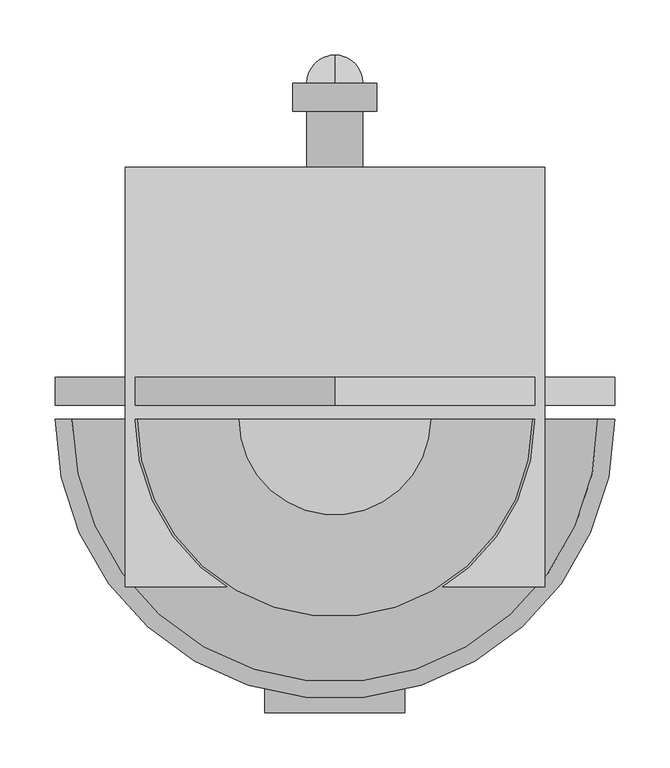
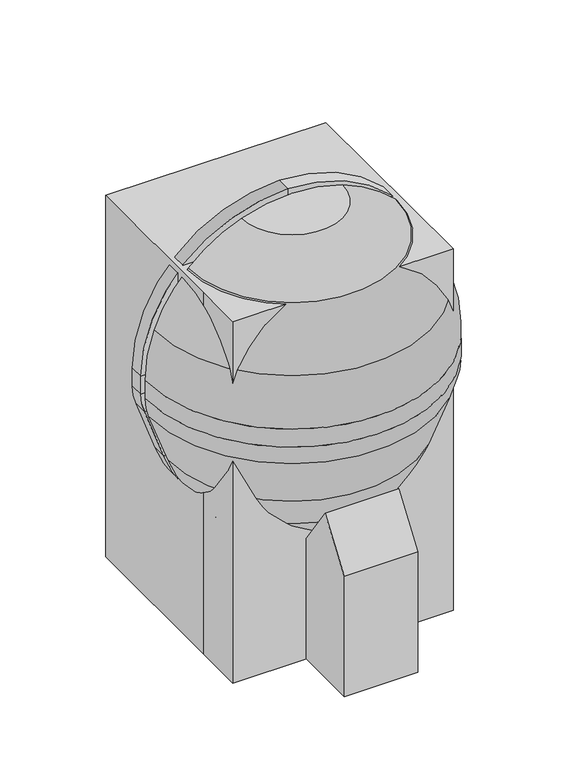
"""IFC4 building model written with IfcOpenShell, lengths in millimetres: proxy geometry."""

from ifc_helpers import new_model, si_unit, point, frame, frame_2d, origin, origin_with_axes, place, context, project, spatial, polyline, circle_curve, ellipse_curve, trimmed, segment, composite_curve, outline, extrude, source, transform, mapped, element, save
from ifc_brep_helpers import plane_surface, cylinder_surface, revolved_surface, advanced_brep


def specialty_equipment_efaa07a2(model_context):
    return source(origin(), model_context, "Body", "SolidModel", [
        advanced_brep(
        [(-86.8731164, -38.1, 721.2819257), (0.0, -38.1, 736.6), (0.0, -38.1, 711.2), (-78.1858048, -38.1, 697.4137331), (-161.6446102, -38.1, 644.2446102), (-214.8137331, -38.1, 560.7858048), (-228.6, -38.1, 482.6), (-228.6, -38.1, 449.7148212), (-224.0045777, -38.1, 423.6528863), (-191.7324129, -38.1, 334.9858422), (-158.0533758, -38.1, 270.2890139), (-120.1697426, -38.1, 216.1855786), (-63.2399099, -38.1, 176.3228806), (0.0, -38.1, 159.3777978), (0.0, -38.1, 133.0817829), (-78.7437471, -38.1, 154.1811063), (-135.6735798, -38.1, 194.0438043), (-180.7778621, -38.1, 258.4593951), (-214.4568992, -38.1, 323.1562234), (-247.8727703, -38.1, 414.9655747), (-254.0, -38.1, 449.7148212), (-254.0, -38.1, 482.6), (-238.6819257, -38.1, 569.4731164), (-179.6051224, -38.1, 662.2051224), (86.8731164, -38.1, 721.2819257), (179.6051224, -38.1, 662.2051224), (238.6819257, -38.1, 569.4731164), (254.0, -38.1, 482.6), (254.0, -38.1, 449.7148212), (247.8727703, -38.1, 414.9655747), (214.4568992, -38.1, 323.1562234), (180.7778621, -38.1, 258.4593951), (135.6735798, -38.1, 194.0438043), (78.7437471, -38.1, 154.1811063), (63.2399099, -38.1, 176.3228806), (120.1697426, -38.1, 216.1855786), (158.0533758, -38.1, 270.2890139), (191.7324129, -38.1, 334.9858422), (224.0045777, -38.1, 423.6528863), (228.6, -38.1, 449.7148212), (228.6, -38.1, 482.6), (214.8137331, -38.1, 560.7858048), (161.6446102, -38.1, 644.2446102), (78.1858048, -38.1, 697.4137331)],
        [
            (0, 1, circle_curve(frame((0.0, -38.1, 482.6), z_axis=(0.0, 1.0, 0.0), x_axis=(-1.0, 0.0, 0.0)), 254.0)),
            (1, 2),
            (2, 3, circle_curve(frame((0.0, -38.1, 482.6), z_axis=(0.0, -1.0, 0.0), x_axis=(-1.0, 0.0, 0.0)), 228.6)),
            (3, 4, circle_curve(frame((0.0, -38.1, 482.6), z_axis=(0.0, -1.0, 0.0), x_axis=(-1.0, 0.0, 0.0)), 228.6)),
            (4, 5, circle_curve(frame((0.0, -38.1, 482.6), z_axis=(0.0, -1.0, 0.0), x_axis=(-1.0, 0.0, 0.0)), 228.6)),
            (5, 6, circle_curve(frame((0.0, -38.1, 482.6), z_axis=(0.0, -1.0, 0.0), x_axis=(-1.0, 0.0, 0.0)), 228.6)),
            (6, 7),
            (7, 8, circle_curve(frame((-152.4, -38.1, 449.7148212), z_axis=(0.0, -1.0, 0.0), x_axis=(-1.0, 0.0, 0.0)), 76.2)),
            (8, 9),
            (9, 10, circle_curve(frame((70.8177054, -38.1, 430.5462703), z_axis=(0.0, -1.0, 0.0), x_axis=(-1.0, 0.0, 0.0)), 279.4)),
            (10, 11),
            (11, 12, circle_curve(frame((-36.9438949, -38.1, 274.4609446), z_axis=(0.0, -1.0, 0.0), x_axis=(-1.0, 0.0, 0.0)), 101.6)),
            (12, 13),
            (13, 14),
            (14, 15),
            (15, 16, circle_curve(frame((-52.4477321, -38.1, 252.3191703), z_axis=(0.0, 1.0, 0.0), x_axis=(-1.0, 0.0, 0.0)), 101.6)),
            (16, 17),
            (17, 18, circle_curve(frame((48.0932191, -38.1, 418.7166514), z_axis=(0.0, 1.0, 0.0), x_axis=(-1.0, 0.0, 0.0)), 279.4)),
            (18, 19),
            (19, 20, circle_curve(frame((-152.4, -38.1, 449.7148212), z_axis=(0.0, 1.0, 0.0), x_axis=(-1.0, 0.0, 0.0)), 101.6)),
            (20, 21),
            (21, 22, circle_curve(frame((0.0, -38.1, 482.6), z_axis=(0.0, 1.0, 0.0), x_axis=(-1.0, 0.0, 0.0)), 254.0)),
            (22, 23, circle_curve(frame((0.0, -38.1, 482.6), z_axis=(0.0, 1.0, 0.0), x_axis=(-1.0, 0.0, 0.0)), 254.0)),
            (23, 0, circle_curve(frame((0.0, -38.1, 482.6), z_axis=(0.0, 1.0, 0.0), x_axis=(-1.0, 0.0, 0.0)), 254.0)),
            (24, 25, circle_curve(frame((0.0, -38.1, 482.6), z_axis=(0.0, 1.0, 0.0), x_axis=(1.0, 0.0, 0.0)), 254.0)),
            (25, 26, circle_curve(frame((0.0, -38.1, 482.6), z_axis=(0.0, 1.0, 0.0), x_axis=(1.0, 0.0, 0.0)), 254.0)),
            (26, 27, circle_curve(frame((0.0, -38.1, 482.6), z_axis=(0.0, 1.0, 0.0), x_axis=(1.0, 0.0, 0.0)), 254.0)),
            (27, 28),
            (28, 29, circle_curve(frame((152.4, -38.1, 449.7148212), z_axis=(0.0, 1.0, 0.0), x_axis=(1.0, 0.0, 0.0)), 101.6)),
            (29, 30),
            (30, 31, circle_curve(frame((-48.0932191, -38.1, 418.7166514), z_axis=(0.0, 1.0, 0.0), x_axis=(1.0, 0.0, 0.0)), 279.4)),
            (31, 32),
            (32, 33, circle_curve(frame((52.4477321, -38.1, 252.3191703), z_axis=(0.0, 1.0, 0.0), x_axis=(1.0, 0.0, 0.0)), 101.6)),
            (33, 14),
            (13, 34),
            (34, 35, circle_curve(frame((36.9438949, -38.1, 274.4609446), z_axis=(0.0, -1.0, 0.0), x_axis=(1.0, 0.0, 0.0)), 101.6)),
            (35, 36),
            (36, 37, circle_curve(frame((-70.8177054, -38.1, 430.5462703), z_axis=(0.0, -1.0, 0.0), x_axis=(1.0, 0.0, 0.0)), 279.4)),
            (37, 38),
            (38, 39, circle_curve(frame((152.4, -38.1, 449.7148212), z_axis=(0.0, -1.0, 0.0), x_axis=(1.0, 0.0, 0.0)), 76.2)),
            (39, 40),
            (40, 41, circle_curve(frame((0.0, -38.1, 482.6), z_axis=(0.0, -1.0, 0.0), x_axis=(1.0, 0.0, 0.0)), 228.6)),
            (41, 42, circle_curve(frame((0.0, -38.1, 482.6), z_axis=(0.0, -1.0, 0.0), x_axis=(1.0, 0.0, 0.0)), 228.6)),
            (42, 43, circle_curve(frame((0.0, -38.1, 482.6), z_axis=(0.0, -1.0, 0.0), x_axis=(1.0, 0.0, 0.0)), 228.6)),
            (43, 2, circle_curve(frame((0.0, -38.1, 482.6), z_axis=(0.0, -1.0, 0.0), x_axis=(1.0, 0.0, 0.0)), 228.6)),
            (1, 24, circle_curve(frame((0.0, -38.1, 482.6), z_axis=(0.0, 1.0, 0.0), x_axis=(1.0, 0.0, 0.0)), 254.0)),
            (0, 24, circle_curve(frame((0.0, -38.1, 721.2819257), z_axis=(0.0, 0.0, 1.0), x_axis=(-1.0, 0.0, 0.0)), 86.8731164)),
            (43, 3, circle_curve(frame((0.0, -38.1, 697.4137331), z_axis=(0.0, 0.0, -1.0), x_axis=(-1.0, 0.0, 0.0)), 78.1858048)),
            (42, 4, circle_curve(frame((0.0, -38.1, 644.2446102), z_axis=(0.0, 0.0, -1.0), x_axis=(-1.0, 0.0, 0.0)), 161.6446102)),
            (41, 5, circle_curve(frame((0.0, -38.1, 560.7858048), z_axis=(0.0, 0.0, -1.0), x_axis=(-1.0, 0.0, 0.0)), 214.8137331)),
            (40, 6, circle_curve(frame((0.0, -38.1, 482.6), z_axis=(0.0, 0.0, -1.0), x_axis=(-1.0, 0.0, 0.0)), 228.6)),
            (39, 7, circle_curve(frame((0.0, -38.1, 449.7148212), z_axis=(0.0, 0.0, -1.0), x_axis=(-1.0, 0.0, 0.0)), 228.6)),
            (38, 8, circle_curve(frame((0.0, -38.1, 423.6528863), z_axis=(0.0, 0.0, -1.0), x_axis=(-1.0, 0.0, 0.0)), 224.0045777)),
            (37, 9, circle_curve(frame((0.0, -38.1, 334.9858422), z_axis=(0.0, 0.0, -1.0), x_axis=(-1.0, 0.0, 0.0)), 191.7324129)),
            (36, 10, circle_curve(frame((0.0, -38.1, 270.2890139), z_axis=(0.0, 0.0, -1.0), x_axis=(-1.0, 0.0, 0.0)), 158.0533758)),
            (35, 11, circle_curve(frame((0.0, -38.1, 216.1855786), z_axis=(0.0, 0.0, -1.0), x_axis=(-1.0, 0.0, 0.0)), 120.1697426)),
            (34, 12, circle_curve(frame((0.0, -38.1, 176.3228806), z_axis=(0.0, 0.0, -1.0), x_axis=(-1.0, 0.0, 0.0)), 63.2399099)),
            (33, 15, circle_curve(frame((0.0, -38.1, 154.1811063), z_axis=(0.0, 0.0, -1.0), x_axis=(-1.0, 0.0, 0.0)), 78.7437471)),
            (32, 16, circle_curve(frame((0.0, -38.1, 194.0438043), z_axis=(0.0, 0.0, -1.0), x_axis=(-1.0, 0.0, 0.0)), 135.6735798)),
            (31, 17, circle_curve(frame((0.0, -38.1, 258.4593951), z_axis=(0.0, 0.0, -1.0), x_axis=(-1.0, 0.0, 0.0)), 180.7778621)),
            (30, 18, circle_curve(frame((0.0, -38.1, 323.1562234), z_axis=(0.0, 0.0, -1.0), x_axis=(-1.0, 0.0, 0.0)), 214.4568992)),
            (29, 19, circle_curve(frame((0.0, -38.1, 414.9655747), z_axis=(0.0, 0.0, -1.0), x_axis=(-1.0, 0.0, 0.0)), 247.8727703)),
            (28, 20, circle_curve(frame((0.0, -38.1, 449.7148212), z_axis=(0.0, 0.0, -1.0), x_axis=(-1.0, 0.0, 0.0)), 254.0)),
            (27, 21, circle_curve(frame((0.0, -38.1, 482.6), z_axis=(0.0, 0.0, -1.0), x_axis=(-1.0, 0.0, 0.0)), 254.0)),
            (26, 22, circle_curve(frame((0.0, -38.1, 569.4731164), z_axis=(0.0, 0.0, -1.0), x_axis=(-1.0, 0.0, 0.0)), 238.6819257)),
            (25, 23, circle_curve(frame((0.0, -38.1, 662.2051224), z_axis=(0.0, 0.0, -1.0), x_axis=(-1.0, 0.0, 0.0)), 179.6051224)),
        ],
        [
            plane_surface(frame((0.0, -38.1, 841.8102448), z_axis=(0.0, 1.0, 0.0), x_axis=(-1.0, 0.0, 0.0))),
            plane_surface(frame((0.0, -38.1, 841.8102448), z_axis=(0.0, 1.0, 0.0), x_axis=(1.0, 0.0, 0.0))),
            revolved_surface(trimmed(ellipse_curve(frame((0.0, -38.1, 482.6), z_axis=(0.0, 1.0, 0.0), x_axis=(-1.0, 0.0, 0.0)), 254.0, 254.0), [point((-86.8731164, -38.1, 721.2819257))], [point((0.0, -38.1, 736.6))], True, "CARTESIAN"), (0.0, -38.1, 841.8102448), (0.0, 0.0, 1.0)),
            revolved_surface(trimmed(ellipse_curve(frame((0.0, -38.1, 482.6), z_axis=(0.0, -1.0, 0.0), x_axis=(-1.0, 0.0, 0.0)), 228.6, 228.6), [point((0.0, -38.1, 711.2))], [point((-78.1858048, -38.1, 697.4137331))], True, "CARTESIAN"), (0.0, -38.1, 841.8102448), (0.0, 0.0, 1.0)),
            revolved_surface(trimmed(ellipse_curve(frame((0.0, -38.1, 482.6), z_axis=(0.0, -1.0, 0.0), x_axis=(-1.0, 0.0, 0.0)), 228.6, 228.6), [point((-78.1858048, -38.1, 697.4137331))], [point((-161.6446102, -38.1, 644.2446102))], True, "CARTESIAN"), (0.0, -38.1, 841.8102448), (0.0, 0.0, 1.0)),
            revolved_surface(trimmed(ellipse_curve(frame((0.0, -38.1, 482.6), z_axis=(0.0, -1.0, 0.0), x_axis=(-1.0, 0.0, 0.0)), 228.6, 228.6), [point((-161.6446102, -38.1, 644.2446102))], [point((-214.8137331, -38.1, 560.7858048))], True, "CARTESIAN"), (0.0, -38.1, 841.8102448), (0.0, 0.0, 1.0)),
            revolved_surface(trimmed(ellipse_curve(frame((0.0, -38.1, 482.6), z_axis=(0.0, -1.0, 0.0), x_axis=(-1.0, 0.0, 0.0)), 228.6, 228.6), [point((-214.8137331, -38.1, 560.7858048))], [point((-228.6, -38.1, 482.6))], True, "CARTESIAN"), (0.0, -38.1, 841.8102448), (0.0, 0.0, 1.0)),
            revolved_surface(polyline([(-228.6, -38.1, 482.6), (-228.6, -38.1, 449.7148212)]), (0.0, -38.1, 841.8102448), (0.0, 0.0, 1.0)),
            revolved_surface(trimmed(ellipse_curve(frame((-152.4, -38.1, 449.7148212), z_axis=(0.0, -1.0, 0.0), x_axis=(-1.0, 0.0, 0.0)), 76.2, 76.2), [point((-228.6, -38.1, 449.7148212))], [point((-224.0045777, -38.1, 423.6528863))], True, "CARTESIAN"), (0.0, -38.1, 841.8102448), (0.0, 0.0, 1.0)),
            revolved_surface(polyline([(-224.0045777, -38.1, 423.6528863), (-191.7324129, -38.1, 334.9858422)]), (0.0, -38.1, 841.8102448), (0.0, 0.0, 1.0)),
            revolved_surface(trimmed(ellipse_curve(frame((70.8177054, -38.1, 430.5462703), z_axis=(0.0, -1.0, 0.0), x_axis=(-1.0, 0.0, 0.0)), 279.4, 279.4), [point((-191.7324129, -38.1, 334.9858422))], [point((-158.0533758, -38.1, 270.2890139))], True, "CARTESIAN"), (0.0, -38.1, 841.8102448), (0.0, 0.0, 1.0)),
            revolved_surface(polyline([(-158.0533758, -38.1, 270.2890139), (-120.1697426, -38.1, 216.1855786)]), (0.0, -38.1, 841.8102448), (0.0, 0.0, 1.0)),
            revolved_surface(trimmed(ellipse_curve(frame((-36.9438949, -38.1, 274.4609446), z_axis=(0.0, -1.0, 0.0), x_axis=(-1.0, 0.0, 0.0)), 101.6, 101.6), [point((-120.1697426, -38.1, 216.1855786))], [point((-63.2399099, -38.1, 176.3228806))], True, "CARTESIAN"), (0.0, -38.1, 841.8102448), (0.0, 0.0, 1.0)),
            revolved_surface(polyline([(-63.2399099, -38.1, 176.3228806), (0.0, -38.1, 159.3777978)]), (0.0, -38.1, 841.8102448), (0.0, 0.0, 1.0)),
            revolved_surface(polyline([(0.0, -38.1, 133.0817829), (-78.7437471, -38.1, 154.1811063)]), (0.0, -38.1, 841.8102448), (0.0, 0.0, 1.0)),
            revolved_surface(trimmed(ellipse_curve(frame((-52.4477321, -38.1, 252.3191703), z_axis=(0.0, 1.0, 0.0), x_axis=(-1.0, 0.0, 0.0)), 101.6, 101.6), [point((-78.7437471, -38.1, 154.1811063))], [point((-135.6735798, -38.1, 194.0438043))], True, "CARTESIAN"), (0.0, -38.1, 841.8102448), (0.0, 0.0, 1.0)),
            revolved_surface(polyline([(-135.6735798, -38.1, 194.0438043), (-180.7778621, -38.1, 258.4593951)]), (0.0, -38.1, 841.8102448), (0.0, 0.0, 1.0)),
            revolved_surface(trimmed(ellipse_curve(frame((48.0932191, -38.1, 418.7166514), z_axis=(0.0, 1.0, 0.0), x_axis=(-1.0, 0.0, 0.0)), 279.4, 279.4), [point((-180.7778621, -38.1, 258.4593951))], [point((-214.4568992, -38.1, 323.1562234))], True, "CARTESIAN"), (0.0, -38.1, 841.8102448), (0.0, 0.0, 1.0)),
            revolved_surface(polyline([(-214.4568992, -38.1, 323.1562234), (-247.8727703, -38.1, 414.9655747)]), (0.0, -38.1, 841.8102448), (0.0, 0.0, 1.0)),
            revolved_surface(trimmed(ellipse_curve(frame((-152.4, -38.1, 449.7148212), z_axis=(0.0, 1.0, 0.0), x_axis=(-1.0, 0.0, 0.0)), 101.6, 101.6), [point((-247.8727703, -38.1, 414.9655747))], [point((-254.0, -38.1, 449.7148212))], True, "CARTESIAN"), (0.0, -38.1, 841.8102448), (0.0, 0.0, 1.0)),
            cylinder_surface(frame((0.0, -38.1, 841.8102448), z_axis=(0.0, 0.0, 1.0), x_axis=(-1.0, 0.0, 0.0)), 254.0),
            revolved_surface(trimmed(ellipse_curve(frame((0.0, -38.1, 482.6), z_axis=(0.0, 1.0, 0.0), x_axis=(-1.0, 0.0, 0.0)), 254.0, 254.0), [point((-254.0, -38.1, 482.6))], [point((-238.6819257, -38.1, 569.4731164))], True, "CARTESIAN"), (0.0, -38.1, 841.8102448), (0.0, 0.0, 1.0)),
            revolved_surface(trimmed(ellipse_curve(frame((0.0, -38.1, 482.6), z_axis=(0.0, 1.0, 0.0), x_axis=(-1.0, 0.0, 0.0)), 254.0, 254.0), [point((-238.6819257, -38.1, 569.4731164))], [point((-179.6051224, -38.1, 662.2051224))], True, "CARTESIAN"), (0.0, -38.1, 841.8102448), (0.0, 0.0, 1.0)),
            revolved_surface(trimmed(ellipse_curve(frame((0.0, -38.1, 482.6), z_axis=(0.0, 1.0, 0.0), x_axis=(-1.0, 0.0, 0.0)), 254.0, 254.0), [point((-179.6051224, -38.1, 662.2051224))], [point((-86.8731164, -38.1, 721.2819257))], True, "CARTESIAN"), (0.0, -38.1, 841.8102448), (0.0, 0.0, 1.0)),
        ],
        [
            (0, [[1, 2, 3, 4, 5, 6, 7, 8, 9, 10, 11, 12, 13, 14, 15, 16, 17, 18, 19, 20, 21, 22, 23, 24]]),
            (1, [[25, 26, 27, 28, 29, 30, 31, 32, 33, 34, -14, 35, 36, 37, 38, 39, 40, 41, 42, 43, 44, 45, -2, 46]]),
            (2, [[-1, 47, -46]]),
            (3, [[48, -3, -45]]),
            (4, [[49, -4, -48, -44]]),
            (5, [[50, -5, -49, -43]]),
            (6, [[51, -6, -50, -42]]),
            (7, [[52, -7, -51, -41]]),
            (8, [[53, -8, -52, -40]]),
            (9, [[54, -9, -53, -39]]),
            (10, [[55, -10, -54, -38]]),
            (11, [[56, -11, -55, -37]]),
            (12, [[57, -12, -56, -36]]),
            (13, [[-13, -57, -35]]),
            (14, [[58, -15, -34]]),
            (15, [[59, -16, -58, -33]]),
            (16, [[60, -17, -59, -32]]),
            (17, [[61, -18, -60, -31]]),
            (18, [[62, -19, -61, -30]]),
            (19, [[63, -20, -62, -29]]),
            (20, [[64, -21, -63, -28]]),
            (21, [[65, -22, -64, -27]]),
            (22, [[66, -23, -65, -26]]),
            (23, [[-47, -24, -66, -25]]),
        ],
    ),
        extrude(outline(polyline([(245.0347495, -62.8509631), (194.0438043, -135.6735798), (169.0933226, -110.7230981), (145.0485961, -44.6607552), (145.0485961, 44.6607552), (169.0933226, 110.7230981), (194.0438043, 135.6735798), (245.0347495, 62.8509631), (245.0347495, -62.8509631)])), frame((0.0, -38.1, 0.0), z_axis=(0.0, 1.0, 0.0), x_axis=(0.0, 0.0, 1.0)), (0.0, 0.0, 1.0), 12.7),
        advanced_brep(
        [(-62.8509631, -25.4, 245.0347495), (-135.6735798, -25.4, 194.0438043), (-135.6735798, 0.0, 194.0438043), (-62.8509631, 0.0, 245.0347495), (-107.9552454, -25.4, 309.4503403), (-180.7778621, -25.4, 258.4593951), (-180.7778621, 0.0, 258.4593951), (-107.9552454, 0.0, 309.4503403), (-214.4568992, -25.4, 323.1562234), (-130.9182252, -25.4, 353.5618141), (-214.4568992, 0.0, 323.1562234), (-130.9182252, 0.0, 353.5618141), (-164.3340963, -25.4, 445.3711654), (-247.8727703, -25.4, 414.9655747), (-247.8727703, 0.0, 414.9655747), (-164.3340963, 0.0, 445.3711654), (-254.0, -25.4, 449.7148212), (-165.1, -25.4, 449.7148212), (-254.0, 0.0, 449.7148212), (-165.1, 0.0, 449.7148212), (-165.1, -25.4, 482.6), (-254.0, -25.4, 482.6), (-254.0, 0.0, 482.6), (-165.1, 0.0, 482.6), (0.0, -25.4, 736.6), (0.0, -25.4, 647.7), (0.0, 0.0, 736.6), (0.0, 0.0, 647.7), (254.0, -25.4, 482.6), (165.1, -25.4, 482.6), (254.0, 0.0, 482.6), (165.1, 0.0, 482.6), (165.1, -25.4, 449.7148212), (254.0, -25.4, 449.7148212), (254.0, 0.0, 449.7148212), (165.1, 0.0, 449.7148212), (247.8727703, -25.4, 414.9655747), (164.3340963, -25.4, 445.3711654), (247.8727703, 0.0, 414.9655747), (164.3340963, 0.0, 445.3711654), (130.9182252, -25.4, 353.5618141), (214.4568992, -25.4, 323.1562234), (214.4568992, 0.0, 323.1562234), (130.9182252, 0.0, 353.5618141), (180.7778621, -25.4, 258.4593951), (107.9552454, -25.4, 309.4503403), (180.7778621, 0.0, 258.4593951), (107.9552454, 0.0, 309.4503403), (62.8509631, -25.4, 245.0347495), (62.8509631, 0.0, 245.0347495), (135.6735798, 0.0, 194.0438043), (135.6735798, -25.4, 194.0438043)],
        [
            (0, 1),
            (1, 2),
            (2, 3),
            (3, 0),
            (0, 4),
            (4, 5),
            (5, 1),
            (5, 6),
            (6, 2),
            (6, 7),
            (7, 3),
            (7, 4),
            (8, 5, circle_curve(frame((48.0932191, -25.4, 418.7166514), z_axis=(0.0, -1.0, 0.0), x_axis=(-0.81915204428899, 0.0, -0.5735764363510486)), 279.4)),
            (4, 9, circle_curve(frame((48.0932191, -25.4, 418.7166514), z_axis=(0.0, 1.0, 0.0), x_axis=(-0.81915204428899, 0.0, -0.5735764363510486)), 190.5)),
            (9, 8),
            (10, 6, circle_curve(frame((48.0932191, 0.0, 418.7166514), z_axis=(0.0, -1.0, 0.0), x_axis=(-0.81915204428899, 0.0, -0.5735764363510486)), 279.4)),
            (8, 10),
            (11, 7, circle_curve(frame((48.0932191, 0.0, 418.7166514), z_axis=(0.0, -1.0, 0.0), x_axis=(-0.81915204428899, 0.0, -0.5735764363510486)), 190.5)),
            (10, 11),
            (11, 9),
            (9, 12),
            (12, 13),
            (13, 8),
            (13, 14),
            (14, 10),
            (14, 15),
            (15, 11),
            (15, 12),
            (16, 13, circle_curve(frame((-152.4, -25.4, 449.7148212), z_axis=(0.0, -1.0, 0.0), x_axis=(-0.9396926207859067, 0.0, -0.3420201433256736)), 101.6)),
            (12, 17, circle_curve(frame((-152.4, -25.4, 449.7148212), z_axis=(0.0, 1.0, 0.0), x_axis=(-0.9396926207859067, 0.0, -0.3420201433256736)), 12.7)),
            (17, 16),
            (18, 14, circle_curve(frame((-152.4, 0.0, 449.7148212), z_axis=(0.0, -1.0, 0.0), x_axis=(-0.9396926207859067, 0.0, -0.3420201433256736)), 101.6)),
            (16, 18),
            (19, 15, circle_curve(frame((-152.4, 0.0, 449.7148212), z_axis=(0.0, -1.0, 0.0), x_axis=(-0.9396926207859067, 0.0, -0.3420201433256736)), 12.7)),
            (18, 19),
            (19, 17),
            (17, 20),
            (20, 21),
            (21, 16),
            (21, 22),
            (22, 18),
            (22, 23),
            (23, 19),
            (23, 20),
            (24, 21, circle_curve(frame((0.0, -25.4, 482.6), z_axis=(0.0, -1.0, 0.0), x_axis=(-1.0, 0.0, 0.0)), 254.0)),
            (20, 25, circle_curve(frame((0.0, -25.4, 482.6), z_axis=(0.0, 1.0, 0.0), x_axis=(-1.0, 0.0, 0.0)), 165.1)),
            (25, 24),
            (26, 22, circle_curve(frame((0.0, 0.0, 482.6), z_axis=(0.0, -1.0, 0.0), x_axis=(-1.0, 0.0, 0.0)), 254.0)),
            (24, 26),
            (27, 23, circle_curve(frame((0.0, 0.0, 482.6), z_axis=(0.0, -1.0, 0.0), x_axis=(-1.0, 0.0, 0.0)), 165.1)),
            (26, 27),
            (27, 25),
            (28, 24, circle_curve(frame((0.0, -25.4, 482.6), z_axis=(0.0, -1.0, 0.0), x_axis=(0.0, 0.0, 1.0)), 254.0)),
            (25, 29, circle_curve(frame((0.0, -25.4, 482.6), z_axis=(0.0, 1.0, 0.0), x_axis=(0.0, 0.0, 1.0)), 165.1)),
            (29, 28),
            (30, 26, circle_curve(frame((0.0, 0.0, 482.6), z_axis=(0.0, -1.0, 0.0), x_axis=(0.0, 0.0, 1.0)), 254.0)),
            (28, 30),
            (31, 27, circle_curve(frame((0.0, 0.0, 482.6), z_axis=(0.0, -1.0, 0.0), x_axis=(0.0, 0.0, 1.0)), 165.1)),
            (30, 31),
            (31, 29),
            (29, 32),
            (32, 33),
            (33, 28),
            (33, 34),
            (34, 30),
            (34, 35),
            (35, 31),
            (35, 32),
            (36, 33, circle_curve(frame((152.4, -25.4, 449.7148212), z_axis=(0.0, -1.0, 0.0), x_axis=(1.0, 0.0, 0.0)), 101.6)),
            (32, 37, circle_curve(frame((152.4, -25.4, 449.7148212), z_axis=(0.0, 1.0, 0.0), x_axis=(1.0, 0.0, 0.0)), 12.7)),
            (37, 36),
            (38, 34, circle_curve(frame((152.4, 0.0, 449.7148212), z_axis=(0.0, -1.0, 0.0), x_axis=(1.0, 0.0, 0.0)), 101.6)),
            (36, 38),
            (39, 35, circle_curve(frame((152.4, 0.0, 449.7148212), z_axis=(0.0, -1.0, 0.0), x_axis=(1.0, 0.0, 0.0)), 12.7)),
            (38, 39),
            (39, 37),
            (37, 40),
            (40, 41),
            (41, 36),
            (41, 42),
            (42, 38),
            (42, 43),
            (43, 39),
            (43, 40),
            (44, 41, circle_curve(frame((-48.0932191, -25.4, 418.7166514), z_axis=(0.0, -1.0, 0.0), x_axis=(0.9396926207859088, 0.0, -0.3420201433256676)), 279.4)),
            (40, 45, circle_curve(frame((-48.0932191, -25.4, 418.7166514), z_axis=(0.0, 1.0, 0.0), x_axis=(0.9396926207859088, 0.0, -0.3420201433256676)), 190.5)),
            (45, 44),
            (46, 42, circle_curve(frame((-48.0932191, 0.0, 418.7166514), z_axis=(0.0, -1.0, 0.0), x_axis=(0.9396926207859088, 0.0, -0.3420201433256676)), 279.4)),
            (44, 46),
            (47, 43, circle_curve(frame((-48.0932191, 0.0, 418.7166514), z_axis=(0.0, -1.0, 0.0), x_axis=(0.9396926207859088, 0.0, -0.3420201433256676)), 190.5)),
            (46, 47),
            (47, 45),
            (48, 49),
            (49, 50),
            (50, 51),
            (51, 48),
            (45, 48),
            (51, 44),
            (50, 46),
            (49, 47),
        ],
        [
            plane_surface(frame((-135.6735798, -134.8203184, 194.0438043), z_axis=(0.5735764363510432, 0.0, -0.8191520442889938), x_axis=(0.8191520442889938, 0.0, 0.5735764363510432))),
            plane_surface(frame((-62.8509631, -25.4, 245.0347495), z_axis=(0.0, -1.0, 0.0), x_axis=(-0.5735764363510427, 0.0, 0.8191520442889941))),
            plane_surface(frame((-135.6735798, -25.4, 194.0438043), z_axis=(-0.819152044288994, 0.0, -0.5735764363510429), x_axis=(-0.5735764363510429, 0.0, 0.819152044288994))),
            plane_surface(frame((-135.6735798, 0.0, 194.0438043), z_axis=(0.0, 1.0000000000000002, 0.0), x_axis=(-0.5735764363510432, 0.0, 0.8191520442889939))),
            plane_surface(frame((-62.8509631, 0.0, 245.0347495), z_axis=(0.8191520442889939, 0.0, 0.5735764363510432), x_axis=(-0.5735764363510432, 0.0, 0.8191520442889939))),
            plane_surface(frame((48.0932191, -25.4, 418.7166514), z_axis=(0.0, -1.0, 0.0), x_axis=(-0.81915204428899, 0.0, -0.5735764363510486))),
            cylinder_surface(frame((48.0932191, -38.1, 418.7166514), z_axis=(0.0, 1.0, 0.0), x_axis=(-0.81915204428899, 0.0, -0.5735764363510486)), 279.4),
            plane_surface(frame((48.0932191, 0.0, 418.7166514), z_axis=(0.0, 1.0, 0.0), x_axis=(-0.81915204428899, 0.0, -0.5735764363510486))),
            revolved_surface(polyline([(-107.95524533705259, 0.0, 309.4503402751252), (-107.95524533705259, -25.4, 309.4503402751252)]), (48.0932191, -38.1, 418.7166514), (0.0, 1.0, 0.0)),
            plane_surface(frame((-130.9182252, -25.4, 353.5618141), z_axis=(0.0, -1.0, 0.0), x_axis=(-0.34202014332566844, 0.0, 0.9396926207859085))),
            plane_surface(frame((-214.4568992, -25.4, 323.1562234), z_axis=(-0.9396926207859086, 0.0, -0.3420201433256682), x_axis=(-0.3420201433256682, 0.0, 0.9396926207859086))),
            plane_surface(frame((-214.4568992, 0.0, 323.1562234), z_axis=(0.0, 1.0, 0.0), x_axis=(-0.34202014332566905, 0.0, 0.9396926207859083))),
            plane_surface(frame((-130.9182252, 0.0, 353.5618141), z_axis=(0.9396926207859085, 0.0, 0.34202014332566827), x_axis=(-0.34202014332566827, 0.0, 0.9396926207859085))),
            plane_surface(frame((-152.4, -25.4, 449.7148212), z_axis=(0.0, -1.0, 0.0), x_axis=(-0.9396926207859067, 0.0, -0.3420201433256736))),
            cylinder_surface(frame((-152.4, -38.1, 449.7148212), z_axis=(0.0, 1.0, 0.0), x_axis=(-0.9396926207859067, 0.0, -0.3420201433256736)), 101.6),
            plane_surface(frame((-152.4, 0.0, 449.7148212), z_axis=(0.0, 1.0, 0.0), x_axis=(-0.9396926207859067, 0.0, -0.3420201433256736))),
            revolved_surface(polyline([(-164.334096283981, 0.0, 445.37116537976397), (-164.334096283981, -25.4, 445.37116537976397)]), (-152.4, -38.1, 449.7148212), (0.0, 1.0, 0.0)),
            plane_surface(frame((-165.1, -25.4, 449.7148212), z_axis=(0.0, -1.0, 0.0), x_axis=(0.0, 0.0, 1.0))),
            plane_surface(frame((-254.0, -25.4, 449.7148212), z_axis=(-1.0, 0.0, 0.0), x_axis=(0.0, 0.0, 1.0))),
            plane_surface(frame((-254.0, 0.0, 449.7148212), z_axis=(0.0, 1.0, 0.0), x_axis=(0.0, 0.0, 1.0))),
            plane_surface(frame((-165.1, 0.0, 449.7148212), z_axis=(1.0, 0.0, 0.0), x_axis=(0.0, 0.0, 1.0))),
            plane_surface(frame((0.0, -25.4, 482.6), z_axis=(0.0, -1.0, 0.0), x_axis=(-1.0, 0.0, 0.0))),
            cylinder_surface(frame((0.0, -38.1, 482.6), z_axis=(0.0, 1.0, 0.0), x_axis=(-1.0, 0.0, 0.0)), 254.0),
            plane_surface(frame((0.0, 0.0, 482.6), z_axis=(0.0, 1.0, 0.0), x_axis=(-1.0, 0.0, 0.0))),
            revolved_surface(polyline([(-165.1, 0.0, 482.6), (-165.1, -25.4, 482.6)]), (0.0, -38.1, 482.6), (0.0, 1.0, 0.0)),
            plane_surface(frame((0.0, -25.4, 482.6), z_axis=(0.0, -1.0, 0.0), x_axis=(0.0, 0.0, 1.0))),
            cylinder_surface(frame((0.0, -38.1, 482.6), z_axis=(0.0, 1.0, 0.0), x_axis=(0.0, 0.0, 1.0)), 254.0),
            plane_surface(frame((0.0, 0.0, 482.6), z_axis=(0.0, 1.0, 0.0), x_axis=(0.0, 0.0, 1.0))),
            revolved_surface(polyline([(0.0, 0.0, 647.7), (0.0, -25.4, 647.7)]), (0.0, -38.1, 482.6), (0.0, 1.0, 0.0)),
            plane_surface(frame((165.1, -25.4, 482.6), z_axis=(0.0, -1.0, 0.0), x_axis=(0.0, 0.0, -1.0))),
            plane_surface(frame((254.0, -25.4, 482.6), z_axis=(1.0, 0.0, 0.0), x_axis=(0.0, 0.0, -1.0))),
            plane_surface(frame((254.0, 0.0, 482.6), z_axis=(0.0, 1.0, 0.0), x_axis=(0.0, 0.0, -1.0))),
            plane_surface(frame((165.1, 0.0, 482.6), z_axis=(-1.0, 0.0, 0.0), x_axis=(0.0, 0.0, -1.0))),
            plane_surface(frame((152.4, -25.4, 449.7148212), z_axis=(0.0, -1.0, 0.0), x_axis=(1.0, 0.0, 0.0))),
            cylinder_surface(frame((152.4, -38.1, 449.7148212), z_axis=(0.0, 1.0, 0.0), x_axis=(1.0, 0.0, 0.0)), 101.6),
            plane_surface(frame((152.4, 0.0, 449.7148212), z_axis=(0.0, 1.0, 0.0), x_axis=(1.0, 0.0, 0.0))),
            revolved_surface(polyline([(165.1, 0.0, 449.7148212), (165.1, -25.4, 449.7148212)]), (152.4, -38.1, 449.7148212), (0.0, 1.0, 0.0)),
            plane_surface(frame((164.3340963, -25.4, 445.3711654), z_axis=(0.0, -1.0000000000000002, 0.0), x_axis=(-0.3420201433256679, 0.0, -0.9396926207859088))),
            plane_surface(frame((247.8727703, -25.4, 414.9655747), z_axis=(0.9396926207859088, 0.0, -0.34202014332566794), x_axis=(-0.34202014332566794, 0.0, -0.9396926207859088))),
            plane_surface(frame((247.8727703, 0.0, 414.9655747), z_axis=(0.0, 1.0000000000000002, 0.0), x_axis=(-0.3420201433256676, 0.0, -0.9396926207859089))),
            plane_surface(frame((164.3340963, 0.0, 445.3711654), z_axis=(-0.939692620785909, 0.0, 0.34202014332566727), x_axis=(-0.34202014332566727, 0.0, -0.939692620785909))),
            plane_surface(frame((-48.0932191, -25.4, 418.7166514), z_axis=(0.0, -1.0, 0.0), x_axis=(0.9396926207859088, 0.0, -0.3420201433256676))),
            cylinder_surface(frame((-48.0932191, -38.1, 418.7166514), z_axis=(0.0, 1.0, 0.0), x_axis=(0.9396926207859088, 0.0, -0.3420201433256676)), 279.4),
            plane_surface(frame((-48.0932191, 0.0, 418.7166514), z_axis=(0.0, 1.0, 0.0), x_axis=(0.9396926207859088, 0.0, -0.3420201433256676))),
            revolved_surface(polyline([(130.91822515971563, 0.0, 353.5618140964603), (130.91822515971563, -25.4, 353.5618140964603)]), (-48.0932191, -38.1, 418.7166514), (0.0, 1.0, 0.0)),
            plane_surface(frame((135.6735798, 58.6203184, 194.0438043), z_axis=(-0.5735764363510469, 0.0, -0.8191520442889912), x_axis=(0.8191520442889912, 0.0, -0.5735764363510469))),
            plane_surface(frame((107.9552454, -25.4, 309.4503403), z_axis=(0.0, -1.0, 0.0), x_axis=(-0.5735764363510464, 0.0, -0.8191520442889916))),
            plane_surface(frame((180.7778621, -25.4, 258.4593951), z_axis=(0.8191520442889914, 0.0, -0.5735764363510468), x_axis=(-0.5735764363510468, 0.0, -0.8191520442889914))),
            plane_surface(frame((180.7778621, 0.0, 258.4593951), z_axis=(0.0, 1.0, 0.0), x_axis=(-0.5735764363510468, 0.0, -0.8191520442889914))),
            plane_surface(frame((107.9552454, 0.0, 309.4503403), z_axis=(-0.8191520442889916, 0.0, 0.5735764363510465), x_axis=(-0.5735764363510465, 0.0, -0.8191520442889916))),
        ],
        [
            (0, [[1, 2, 3, 4]]),
            (1, [[-1, 5, 6, 7]]),
            (2, [[-2, -7, 8, 9]]),
            (3, [[-3, -9, 10, 11]]),
            (4, [[-4, -11, 12, -5]]),
            (5, [[13, -6, 14, 15]]),
            (6, [[16, -8, -13, 17]]),
            (7, [[18, -10, -16, 19]]),
            (8, [[-14, -12, -18, 20]]),
            (9, [[-15, 21, 22, 23]]),
            (10, [[-17, -23, 24, 25]]),
            (11, [[-19, -25, 26, 27]]),
            (12, [[-20, -27, 28, -21]]),
            (13, [[29, -22, 30, 31]]),
            (14, [[32, -24, -29, 33]]),
            (15, [[34, -26, -32, 35]]),
            (16, [[-30, -28, -34, 36]]),
            (17, [[-31, 37, 38, 39]]),
            (18, [[-33, -39, 40, 41]]),
            (19, [[-35, -41, 42, 43]]),
            (20, [[-36, -43, 44, -37]]),
            (21, [[45, -38, 46, 47]]),
            (22, [[48, -40, -45, 49]]),
            (23, [[50, -42, -48, 51]]),
            (24, [[-46, -44, -50, 52]]),
            (25, [[53, -47, 54, 55]]),
            (26, [[56, -49, -53, 57]]),
            (27, [[58, -51, -56, 59]]),
            (28, [[-54, -52, -58, 60]]),
            (29, [[-55, 61, 62, 63]]),
            (30, [[-57, -63, 64, 65]]),
            (31, [[-59, -65, 66, 67]]),
            (32, [[-60, -67, 68, -61]]),
            (33, [[69, -62, 70, 71]]),
            (34, [[72, -64, -69, 73]]),
            (35, [[74, -66, -72, 75]]),
            (36, [[-70, -68, -74, 76]]),
            (37, [[-71, 77, 78, 79]]),
            (38, [[-73, -79, 80, 81]]),
            (39, [[-75, -81, 82, 83]]),
            (40, [[-76, -83, 84, -77]]),
            (41, [[85, -78, 86, 87]]),
            (42, [[88, -80, -85, 89]]),
            (43, [[90, -82, -88, 91]]),
            (44, [[-86, -84, -90, 92]]),
            (45, [[93, 94, 95, 96]]),
            (46, [[-87, 97, -96, 98]]),
            (47, [[-89, -98, -95, 99]]),
            (48, [[-91, -99, -94, 100]]),
            (49, [[-92, -100, -93, -97]]),
        ],
    ),
        advanced_brep(
        [(0.0, 266.7, 44.9176912), (0.0, 266.7, 96.1528563), (0.0, 292.3175826, 70.5352737), (0.0, 266.7, 70.5352737)],
        [
            (0, 1, circle_curve(frame((0.0, 266.7, 70.5352737), z_axis=(0.0, 1.0, 0.0), x_axis=(0.0, 0.0, 1.0)), 25.6175826)),
            (1, 2, circle_curve(frame((0.0, 266.7, 70.5352737), z_axis=(-1.0, 0.0, 0.0), x_axis=(0.0, 0.0, -1.0)), 25.6175826)),
            (2, 0, circle_curve(frame((0.0, 266.7, 70.5352737), z_axis=(-1.0, 0.0, 0.0), x_axis=(0.0, 0.0, 1.0)), 25.6175826)),
            (1, 0, circle_curve(frame((0.0, 266.7, 70.5352737), z_axis=(0.0, 1.0, 0.0), x_axis=(0.0, 0.0, 1.0)), 25.6175826)),
            (3, 1),
            (0, 3),
        ],
        [
            revolved_surface(trimmed(ellipse_curve(frame((0.0, 266.7, 70.5352737), z_axis=(1.0, 0.0, 0.0), x_axis=(0.0, 0.0, -1.0)), 25.6175826, 25.6175826), [point((0.0, 292.3175826, 70.5352737))], [point((0.0, 266.7, 96.1528563))], True, "CARTESIAN"), (0.0, 331.3277273, 70.5352737), (0.0, -1.0, 0.0)),
            plane_surface(frame((0.0, 266.7, 70.5352737), z_axis=(0.0, -1.0, 0.0), x_axis=(0.0, 0.0, 1.0))),
        ],
        [
            (0, [[1, 2, 3]]),
            (0, [[4, -3, -2]]),
            (1, [[5, -1, 6]]),
            (1, [[-6, -4, -5]]),
        ],
    ),
        extrude(outline(composite_curve([segment(trimmed(circle_curve(frame_2d((70.5352737, 0.0)), 38.1), [point((70.5352737, 38.1))], [point((70.5352737, -38.1))], False, "CARTESIAN"), True, "CONTINUOUS"), segment(trimmed(circle_curve(frame_2d((70.5352737, 0.0)), 38.1), [point((70.5352737, -38.1))], [point((70.5352737, 38.1))], False, "CARTESIAN"), True, "CONTINUOUS")], self_intersect=False)), frame((0.0, 241.3, 0.0), z_axis=(0.0, 1.0, 0.0), x_axis=(0.0, 0.0, 1.0)), (0.0, 0.0, 1.0), 25.4),
        extrude(outline(composite_curve([segment(trimmed(circle_curve(frame_2d((0.0, 163.2113641)), 25.4), [point((25.4, 163.2113641))], [point((-25.4, 163.2113641))], False, "CARTESIAN"), True, "CONTINUOUS"), segment(trimmed(circle_curve(frame_2d((0.0, 163.2113641)), 25.4), [point((-25.4, 163.2113641))], [point((25.4, 163.2113641))], False, "CARTESIAN"), True, "CONTINUOUS")], self_intersect=False)), frame((0.0, 0.0, 37.30625), z_axis=(0.0, 0.0, 1.0), x_axis=(1.0, 0.0, 0.0)), (0.0, 0.0, 1.0), 70.64375),
        extrude(outline(composite_curve([segment(trimmed(circle_curve(frame_2d((70.5352737, 0.0)), 25.4), [point((70.5352737, 25.4))], [point((70.5352737, -25.4))], False, "CARTESIAN"), True, "CONTINUOUS"), segment(trimmed(circle_curve(frame_2d((70.5352737, 0.0)), 25.4), [point((70.5352737, -25.4))], [point((70.5352737, 25.4))], False, "CARTESIAN"), True, "CONTINUOUS")], self_intersect=False)), frame((0.0, -38.1, 0.0), z_axis=(0.0, 1.0, 0.0), x_axis=(0.0, 0.0, 1.0)), (0.0, 0.0, 1.0), 279.4),
        extrude(outline(polyline([(-38.1, 152.8037941), (-38.1, 0.0), (-304.8, 0.0), (-304.8, 220.0454017), (-246.9671412, 300.5426282), (-174.1229337, 196.5103185), (-111.703548, 152.8037941), (-38.1, 152.8037941)])), frame((-63.5, 0.0, 0.0), z_axis=(1.0, 0.0, 0.0), x_axis=(0.0, 1.0, 0.0)), (0.0, 0.0, 1.0), 127.0),
        extrude(outline(polyline([(-190.5, 190.5), (190.5, 190.5), (190.5, -190.5), (-190.5, -190.5), (-190.5, -101.6), (-190.5, 190.5)])), origin_with_axes(), (0.0, 0.0, 1.0), 660.4),
    ])


if __name__ == "__main__":
    model = new_model("IFC4")
    model_context = context("Model", 3, world=origin())
    ifc_project = project(units=[si_unit("LENGTHUNIT", "METRE", prefix="MILLI")], contexts=[model_context])
    site = spatial("IfcSite", under=ifc_project)
    building = spatial("IfcBuilding", under=site)
    placement = place(None, origin())
    specialty_equipment_shape = specialty_equipment_efaa07a2(model_context)
    element("IfcBuildingElementProxy", 1, Name="Specialty Equipment", at=placement, inside=building, context=model_context, shape_type="MappedRepresentation", body=[
        mapped(specialty_equipment_shape, transform((0.0, 0.0, 0.0), x_axis=(1.0, 0.0, 0.0), y_axis=(0.0, 1.0, 0.0), z_axis=(0.0, 0.0, 1.0))),
    ])
    save(model, "model.ifc")
